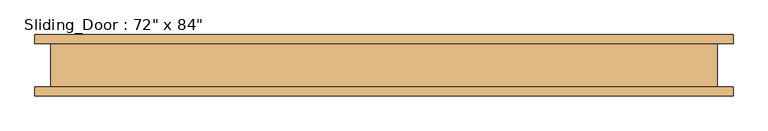
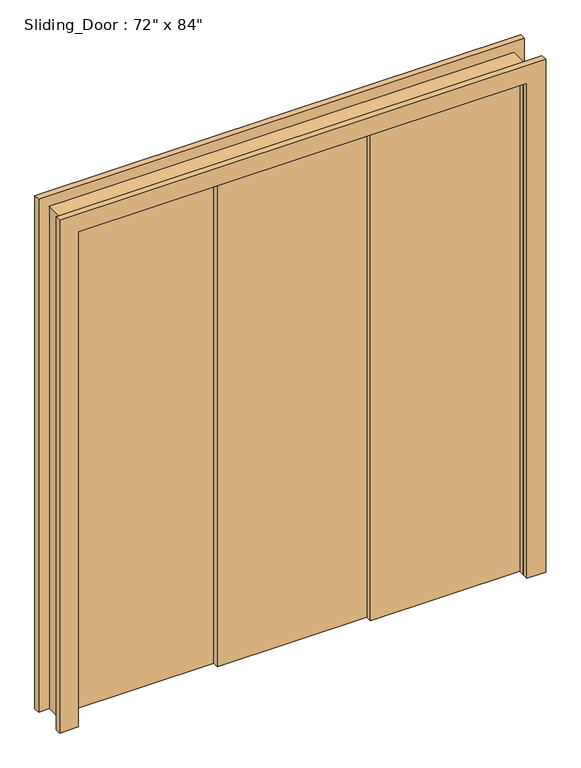
"""IFC4 building model written with IfcOpenShell, lengths in millimetres: door geometry."""

import ifcopenshell
import ifcopenshell.guid

model = None  # the IFC model being written
_history = None  # IfcOwnerHistory: only IFC2X3 demands one
_inside = {}  # id of a spatial element -> (the spatial element, [elements in it])
_under = {}  # id of a project, library or spatial element -> (it, [spatial elements below it])
_declared = {}  # id of a project -> (the project, [libraries it declares])
_typed = {}  # id of a type object -> (the type object, [elements of that type])
_made_of = {}  # id of a material, layer set ... -> (it, [elements and type objects made of it])


def new_model(schema):
    """Start an empty IFC model of exactly this schema.

    Asked for "IFC4X3", IfcOpenShell would pick the latest addendum, in which some entities
    have other attributes; the version numbers below select the first issue.
    IFC2X3 requires an IfcOwnerHistory on every rooted entity: one is made here for all.
    """
    global model, _history
    if schema == "IFC4X3":
        model = ifcopenshell.file(schema_version=(4, 3, 0, 0))
    else:
        model = ifcopenshell.file(schema=schema)
    _inside.clear()
    _under.clear()
    _declared.clear()
    _typed.clear()
    _made_of.clear()
    _history = None
    if model.schema == "IFC2X3":
        org = make("IfcOrganization", Name="unknown")
        user = make(
            "IfcPersonAndOrganization",
            ThePerson=make("IfcPerson", FamilyName="unknown"),
            TheOrganization=org,
        )
        app = make(
            "IfcApplication",
            ApplicationDeveloper=org,
            Version="unknown",
            ApplicationFullName="unknown",
            ApplicationIdentifier="unknown",
        )
        _history = make(
            "IfcOwnerHistory",
            OwningUser=user,
            OwningApplication=app,
            ChangeAction="ADDED",
            CreationDate=0,
        )
    return model


def make(cls, **values):
    """One entity of the class cls with the attributes given. An attribute that is None is left unset."""
    return model.create_entity(
        cls, **{name: value for name, value in values.items() if value is not None}
    )


def rooted(cls, **values):
    """An entity with a GlobalId (a new one), such as an element, a storey or a relation."""
    return make(cls, GlobalId=ifcopenshell.guid.new(), OwnerHistory=_history, **values)


def si_unit(unit_type, name, prefix=None):
    """IfcSIUnit, for example si_unit("LENGTHUNIT", "METRE", prefix="MILLI")."""
    return make("IfcSIUnit", UnitType=unit_type, Prefix=prefix, Name=name)


def assignment(units):
    """IfcUnitAssignment: the units of a project."""
    return None if units is None else make("IfcUnitAssignment", Units=units)


def point(xyz):
    """IfcCartesianPoint."""
    return None if xyz is None else make("IfcCartesianPoint", Coordinates=xyz)


def direction(xyz):
    """IfcDirection."""
    return None if xyz is None else make("IfcDirection", DirectionRatios=xyz)


def frame(location, z_axis=None, x_axis=None):
    """IfcAxis2Placement3D, a coordinate frame: its origin and axes. An axis left out is left unset."""
    return make(
        "IfcAxis2Placement3D",
        Location=point(location),
        Axis=direction(z_axis),
        RefDirection=direction(x_axis),
    )


def origin():
    """The frame at (0, 0, 0) with its axes left unset."""
    return frame((0.0, 0.0, 0.0))


def origin_with_axes():
    """The frame at (0, 0, 0) with the z axis (0, 0, 1) and the x axis (1, 0, 0) written out."""
    return frame((0.0, 0.0, 0.0), z_axis=(0.0, 0.0, 1.0), x_axis=(1.0, 0.0, 0.0))


def place(relative_to, where):
    """IfcLocalPlacement: puts the frame where relative to a parent placement (None: the world)."""
    return make(
        "IfcLocalPlacement", PlacementRelTo=relative_to, RelativePlacement=where
    )


def context(
    kind, dimensions, precision=None, world=None, true_north=None, identifier=None
):
    """IfcGeometricRepresentationContext, for example the 3D "Model" context."""
    return make(
        "IfcGeometricRepresentationContext",
        ContextIdentifier=identifier,
        ContextType=kind,
        CoordinateSpaceDimension=dimensions,
        Precision=precision,
        WorldCoordinateSystem=world,
        TrueNorth=true_north,
    )


def project(units=None, contexts=None):
    """IfcProject with its units and contexts."""
    return rooted(
        "IfcProject",
        Name="project",
        RepresentationContexts=contexts,
        UnitsInContext=assignment(units),
    )


def spatial(cls, under=None, at=None, **own):
    """A site, building, storey or space (cls), placed at a placement, below another one or the project."""
    s = rooted(cls, ObjectPlacement=at, **own)
    if under is not None:
        _under.setdefault(under.id(), (under, []))[1].append(s)
    return s


def polyline(points):
    """IfcPolyline through the points."""
    return make("IfcPolyline", Points=[point(p) for p in points])


def outline(outer, holes=None, kind="AREA"):
    """IfcArbitraryClosedProfileDef: a profile drawn as a closed curve; with holes, ...WithVoids."""
    if holes is None:
        return make("IfcArbitraryClosedProfileDef", ProfileType=kind, OuterCurve=outer)
    return make(
        "IfcArbitraryProfileDefWithVoids",
        ProfileType=kind,
        OuterCurve=outer,
        InnerCurves=holes,
    )


def extrude(swept, where, along, depth):
    """IfcExtrudedAreaSolid: the profile swept, set in the frame where, extruded along a direction by depth."""
    return make(
        "IfcExtrudedAreaSolid",
        SweptArea=swept,
        Position=where,
        ExtrudedDirection=direction(along),
        Depth=depth,
    )


def shape(context_of_items, identifier, shape_type, items):
    """IfcShapeRepresentation: the items that make up one representation, for example the "Body"."""
    return make(
        "IfcShapeRepresentation",
        ContextOfItems=context_of_items,
        RepresentationIdentifier=identifier,
        RepresentationType=shape_type,
        Items=items,
    )


def source(mapping_origin, context_of_items, identifier, shape_type, items):
    """IfcRepresentationMap: a shape defined once, which mapped items show again and again."""
    return make(
        "IfcRepresentationMap",
        MappingOrigin=mapping_origin,
        MappedRepresentation=shape(context_of_items, identifier, shape_type, items),
    )


def transform(
    local_origin,
    x_axis=None,
    y_axis=None,
    z_axis=None,
    scale=None,
    scale2=None,
    scale3=None,
    uniform=True,
):
    """IfcCartesianTransformationOperator3D, or its non-uniform kind. x_axis, y_axis, z_axis: its Axis1, 2, 3."""
    if uniform:
        return make(
            "IfcCartesianTransformationOperator3D",
            Axis1=direction(x_axis),
            Axis2=direction(y_axis),
            LocalOrigin=point(local_origin),
            Scale=scale,
            Axis3=direction(z_axis),
        )
    return make(
        "IfcCartesianTransformationOperator3DnonUniform",
        Axis1=direction(x_axis),
        Axis2=direction(y_axis),
        LocalOrigin=point(local_origin),
        Scale=scale,
        Axis3=direction(z_axis),
        Scale2=scale2,
        Scale3=scale3,
    )


def mapped(mapping_source, mapping_target):
    """IfcMappedItem: shows the shape of a source again, moved by a transform."""
    return make(
        "IfcMappedItem", MappingSource=mapping_source, MappingTarget=mapping_target
    )


def made_of(thing, what):
    """Note that an element or type object is made of a material, layer set ...; save() writes the relation."""
    if what is not None:
        _made_of.setdefault(what.id(), (what, []))[1].append(thing)
    return thing


def element(
    cls,
    number,
    at=None,
    inside=None,
    cuts=None,
    type_object=None,
    material=None,
    context=None,
    identifier="Body",
    shape_type=None,
    held_by="IfcProductDefinitionShape",
    body=None,
    shapes=None,
    **own,
):
    """One element of the class cls, such as IfcWall. Its Tag is "e" and its number.

    at: its placement. inside: the storey or other place that contains it. cuts: it is an
    opening in that element (IfcRelVoidsElement). A single representation is given by context,
    identifier, shape_type and body (its items); several are given by shapes. held_by: the class
    of the entity that holds the representations. save() writes the other relations.
    """
    e = rooted(cls, Tag="e%d" % number, ObjectPlacement=at, **own)
    if body is not None:
        shapes = [shape(context, identifier, shape_type, body)]
    if shapes is not None:
        e.Representation = make(held_by, Representations=shapes)
    if inside is not None:
        _inside.setdefault(inside.id(), (inside, []))[1].append(e)
    if cuts is not None:
        rooted(
            "IfcRelVoidsElement", RelatingBuildingElement=cuts, RelatedOpeningElement=e
        )
    if type_object is not None:
        _typed.setdefault(type_object.id(), (type_object, []))[1].append(e)
    return made_of(e, material)


def aggregate(whole, parts):
    """IfcRelAggregates: a whole, such as a stair, and the parts it consists of."""
    return rooted("IfcRelAggregates", RelatingObject=whole, RelatedObjects=parts)


def save(model, path):
    """Write the relations noted so far, then the file.

    IfcRelAggregates (storeys below a building ...), IfcRelContainedInSpatialStructure (elements
    in a storey), IfcRelDefinesByType, IfcRelAssociatesMaterial and IfcRelDeclares: one each for
    every whole, place, type object, material and project.
    """
    for whole, parts in _under.values():
        aggregate(whole, parts)
    for where, things in _inside.values():
        rooted(
            "IfcRelContainedInSpatialStructure",
            RelatedElements=things,
            RelatingStructure=where,
        )
    for kind, things in _typed.values():
        rooted("IfcRelDefinesByType", RelatedObjects=things, RelatingType=kind)
    for what, things in _made_of.values():
        rooted("IfcRelAssociatesMaterial", RelatedObjects=things, RelatingMaterial=what)
    for by, libraries in _declared.values():
        rooted("IfcRelDeclares", RelatingContext=by, RelatedDefinitions=libraries)
    model.write(path)


def door_2b77b74b(model_context):
    return source(origin(), model_context, "Body", "SweptSolid", [
        extrude(outline(polyline([(914.4, -38.1), (304.8, -38.1), (304.8, -12.7), (914.4, -12.7), (914.4, -38.1)])), origin_with_axes(), (0.0, 0.0, 1.0), 2133.6),
        extrude(outline(polyline([(304.8, -12.7), (-304.8, -12.7), (-304.8, 12.7), (304.8, 12.7), (304.8, -12.7)])), origin_with_axes(), (0.0, 0.0, 1.0), 2133.6),
        extrude(outline(polyline([(-304.8, 12.7), (-914.4, 12.7), (-914.4, 38.1), (-304.8, 38.1), (-304.8, 12.7)])), origin_with_axes(), (0.0, 0.0, 1.0), 2133.6),
        extrude(outline(polyline([(2209.8, -990.6), (0.0, -990.6), (0.0, -914.4), (2133.6, -914.4), (2133.6, 914.4), (0.0, 914.4), (0.0, 990.6), (2209.8, 990.6), (2209.8, -990.6)])), frame((0.0, 61.9125, 0.0), z_axis=(0.0, 1.0, 0.0), x_axis=(0.0, 0.0, 1.0)), (0.0, 0.0, 1.0), 25.4),
        extrude(outline(polyline([(2209.8, 990.6), (2209.8, -990.6), (0.0, -990.6), (0.0, -914.4), (2133.6, -914.4), (2133.6, 914.4), (0.0, 914.4), (0.0, 990.6), (2209.8, 990.6)])), frame((0.0, -87.3125, 0.0), z_axis=(0.0, 1.0, 0.0), x_axis=(0.0, 0.0, 1.0)), (0.0, 0.0, 1.0), 25.4),
        extrude(outline(polyline([(0.0, -946.15), (0.0, -914.4), (2133.6, -914.4), (2133.6, 914.4), (0.0, 914.4), (0.0, 946.15), (2165.35, 946.15), (2165.35, -946.15), (0.0, -946.15)])), frame((0.0, -61.9125, 0.0), z_axis=(0.0, 1.0, 0.0), x_axis=(0.0, 0.0, 1.0)), (0.0, 0.0, 1.0), 123.825),
    ])


if __name__ == "__main__":
    model = new_model("IFC4")
    model_context = context("Model", 3, world=origin())
    ifc_project = project(units=[si_unit("LENGTHUNIT", "METRE", prefix="MILLI")], contexts=[model_context])
    site = spatial("IfcSite", under=ifc_project)
    building = spatial("IfcBuilding", under=site)
    placement = place(None, origin())
    door_shape = door_2b77b74b(model_context)
    element("IfcDoor", 1, ObjectType="Sliding_Door : 72\" x 84\"", at=placement, inside=building, context=model_context, shape_type="MappedRepresentation", body=[
        mapped(door_shape, transform((0.0, 0.0, 0.0), x_axis=(1.0, 0.0, 0.0), y_axis=(0.0, 1.0, 0.0), z_axis=(0.0, 0.0, 1.0))),
    ])
    save(model, "model.ifc")
